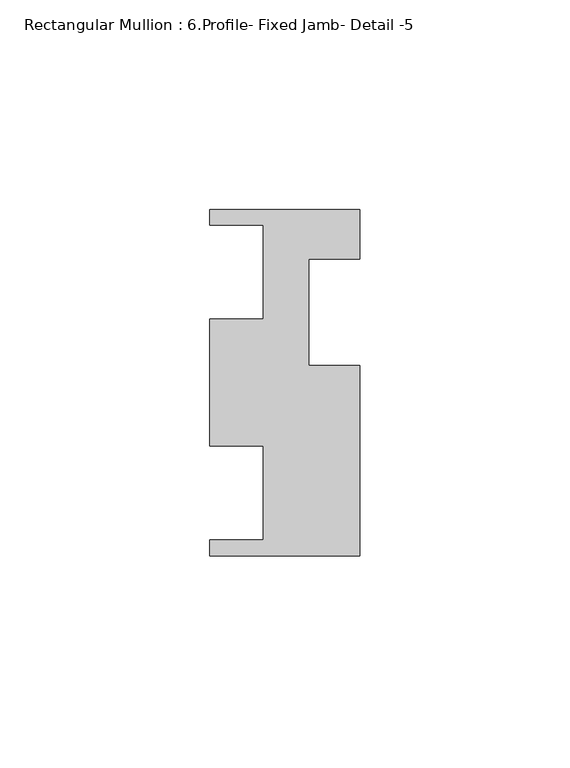
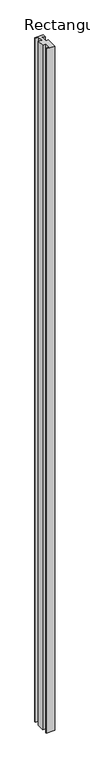
"""IFC4 building model written with IfcOpenShell, lengths in millimetres: member geometry, Rectangular Mullion : 6.Profile- Fixed Jamb- Detail -5."""

import ifcopenshell
import ifcopenshell.guid

model = None  # the IFC model being written
_history = None  # IfcOwnerHistory: only IFC2X3 demands one
_inside = {}  # id of a spatial element -> (the spatial element, [elements in it])
_under = {}  # id of a project, library or spatial element -> (it, [spatial elements below it])
_declared = {}  # id of a project -> (the project, [libraries it declares])
_typed = {}  # id of a type object -> (the type object, [elements of that type])
_made_of = {}  # id of a material, layer set ... -> (it, [elements and type objects made of it])


def new_model(schema):
    """Start an empty IFC model of exactly this schema.

    Asked for "IFC4X3", IfcOpenShell would pick the latest addendum, in which some entities
    have other attributes; the version numbers below select the first issue.
    IFC2X3 requires an IfcOwnerHistory on every rooted entity: one is made here for all.
    """
    global model, _history
    if schema == "IFC4X3":
        model = ifcopenshell.file(schema_version=(4, 3, 0, 0))
    else:
        model = ifcopenshell.file(schema=schema)
    _inside.clear()
    _under.clear()
    _declared.clear()
    _typed.clear()
    _made_of.clear()
    _history = None
    if model.schema == "IFC2X3":
        org = make("IfcOrganization", Name="unknown")
        user = make(
            "IfcPersonAndOrganization",
            ThePerson=make("IfcPerson", FamilyName="unknown"),
            TheOrganization=org,
        )
        app = make(
            "IfcApplication",
            ApplicationDeveloper=org,
            Version="unknown",
            ApplicationFullName="unknown",
            ApplicationIdentifier="unknown",
        )
        _history = make(
            "IfcOwnerHistory",
            OwningUser=user,
            OwningApplication=app,
            ChangeAction="ADDED",
            CreationDate=0,
        )
    return model


def make(cls, **values):
    """One entity of the class cls with the attributes given. An attribute that is None is left unset."""
    return model.create_entity(
        cls, **{name: value for name, value in values.items() if value is not None}
    )


def rooted(cls, **values):
    """An entity with a GlobalId (a new one), such as an element, a storey or a relation."""
    return make(cls, GlobalId=ifcopenshell.guid.new(), OwnerHistory=_history, **values)


def si_unit(unit_type, name, prefix=None):
    """IfcSIUnit, for example si_unit("LENGTHUNIT", "METRE", prefix="MILLI")."""
    return make("IfcSIUnit", UnitType=unit_type, Prefix=prefix, Name=name)


def assignment(units):
    """IfcUnitAssignment: the units of a project."""
    return None if units is None else make("IfcUnitAssignment", Units=units)


def point(xyz):
    """IfcCartesianPoint."""
    return None if xyz is None else make("IfcCartesianPoint", Coordinates=xyz)


def direction(xyz):
    """IfcDirection."""
    return None if xyz is None else make("IfcDirection", DirectionRatios=xyz)


def frame(location, z_axis=None, x_axis=None):
    """IfcAxis2Placement3D, a coordinate frame: its origin and axes. An axis left out is left unset."""
    return make(
        "IfcAxis2Placement3D",
        Location=point(location),
        Axis=direction(z_axis),
        RefDirection=direction(x_axis),
    )


def origin():
    """The frame at (0, 0, 0) with its axes left unset."""
    return frame((0.0, 0.0, 0.0))


def place(relative_to, where):
    """IfcLocalPlacement: puts the frame where relative to a parent placement (None: the world)."""
    return make(
        "IfcLocalPlacement", PlacementRelTo=relative_to, RelativePlacement=where
    )


def context(
    kind, dimensions, precision=None, world=None, true_north=None, identifier=None
):
    """IfcGeometricRepresentationContext, for example the 3D "Model" context."""
    return make(
        "IfcGeometricRepresentationContext",
        ContextIdentifier=identifier,
        ContextType=kind,
        CoordinateSpaceDimension=dimensions,
        Precision=precision,
        WorldCoordinateSystem=world,
        TrueNorth=true_north,
    )


def project(units=None, contexts=None):
    """IfcProject with its units and contexts."""
    return rooted(
        "IfcProject",
        Name="project",
        RepresentationContexts=contexts,
        UnitsInContext=assignment(units),
    )


def spatial(cls, under=None, at=None, **own):
    """A site, building, storey or space (cls), placed at a placement, below another one or the project."""
    s = rooted(cls, ObjectPlacement=at, **own)
    if under is not None:
        _under.setdefault(under.id(), (under, []))[1].append(s)
    return s


def polyline(points):
    """IfcPolyline through the points."""
    return make("IfcPolyline", Points=[point(p) for p in points])


def outline(outer, holes=None, kind="AREA"):
    """IfcArbitraryClosedProfileDef: a profile drawn as a closed curve; with holes, ...WithVoids."""
    if holes is None:
        return make("IfcArbitraryClosedProfileDef", ProfileType=kind, OuterCurve=outer)
    return make(
        "IfcArbitraryProfileDefWithVoids",
        ProfileType=kind,
        OuterCurve=outer,
        InnerCurves=holes,
    )


def extrude(swept, where, along, depth):
    """IfcExtrudedAreaSolid: the profile swept, set in the frame where, extruded along a direction by depth."""
    return make(
        "IfcExtrudedAreaSolid",
        SweptArea=swept,
        Position=where,
        ExtrudedDirection=direction(along),
        Depth=depth,
    )


def shape(context_of_items, identifier, shape_type, items):
    """IfcShapeRepresentation: the items that make up one representation, for example the "Body"."""
    return make(
        "IfcShapeRepresentation",
        ContextOfItems=context_of_items,
        RepresentationIdentifier=identifier,
        RepresentationType=shape_type,
        Items=items,
    )


def source(mapping_origin, context_of_items, identifier, shape_type, items):
    """IfcRepresentationMap: a shape defined once, which mapped items show again and again."""
    return make(
        "IfcRepresentationMap",
        MappingOrigin=mapping_origin,
        MappedRepresentation=shape(context_of_items, identifier, shape_type, items),
    )


def transform(
    local_origin,
    x_axis=None,
    y_axis=None,
    z_axis=None,
    scale=None,
    scale2=None,
    scale3=None,
    uniform=True,
):
    """IfcCartesianTransformationOperator3D, or its non-uniform kind. x_axis, y_axis, z_axis: its Axis1, 2, 3."""
    if uniform:
        return make(
            "IfcCartesianTransformationOperator3D",
            Axis1=direction(x_axis),
            Axis2=direction(y_axis),
            LocalOrigin=point(local_origin),
            Scale=scale,
            Axis3=direction(z_axis),
        )
    return make(
        "IfcCartesianTransformationOperator3DnonUniform",
        Axis1=direction(x_axis),
        Axis2=direction(y_axis),
        LocalOrigin=point(local_origin),
        Scale=scale,
        Axis3=direction(z_axis),
        Scale2=scale2,
        Scale3=scale3,
    )


def mapped(mapping_source, mapping_target):
    """IfcMappedItem: shows the shape of a source again, moved by a transform."""
    return make(
        "IfcMappedItem", MappingSource=mapping_source, MappingTarget=mapping_target
    )


def made_of(thing, what):
    """Note that an element or type object is made of a material, layer set ...; save() writes the relation."""
    if what is not None:
        _made_of.setdefault(what.id(), (what, []))[1].append(thing)
    return thing


def element(
    cls,
    number,
    at=None,
    inside=None,
    cuts=None,
    type_object=None,
    material=None,
    context=None,
    identifier="Body",
    shape_type=None,
    held_by="IfcProductDefinitionShape",
    body=None,
    shapes=None,
    **own,
):
    """One element of the class cls, such as IfcWall. Its Tag is "e" and its number.

    at: its placement. inside: the storey or other place that contains it. cuts: it is an
    opening in that element (IfcRelVoidsElement). A single representation is given by context,
    identifier, shape_type and body (its items); several are given by shapes. held_by: the class
    of the entity that holds the representations. save() writes the other relations.
    """
    e = rooted(cls, Tag="e%d" % number, ObjectPlacement=at, **own)
    if body is not None:
        shapes = [shape(context, identifier, shape_type, body)]
    if shapes is not None:
        e.Representation = make(held_by, Representations=shapes)
    if inside is not None:
        _inside.setdefault(inside.id(), (inside, []))[1].append(e)
    if cuts is not None:
        rooted(
            "IfcRelVoidsElement", RelatingBuildingElement=cuts, RelatedOpeningElement=e
        )
    if type_object is not None:
        _typed.setdefault(type_object.id(), (type_object, []))[1].append(e)
    return made_of(e, material)


def aggregate(whole, parts):
    """IfcRelAggregates: a whole, such as a stair, and the parts it consists of."""
    return rooted("IfcRelAggregates", RelatingObject=whole, RelatedObjects=parts)


def save(model, path):
    """Write the relations noted so far, then the file.

    IfcRelAggregates (storeys below a building ...), IfcRelContainedInSpatialStructure (elements
    in a storey), IfcRelDefinesByType, IfcRelAssociatesMaterial and IfcRelDeclares: one each for
    every whole, place, type object, material and project.
    """
    for whole, parts in _under.values():
        aggregate(whole, parts)
    for where, things in _inside.values():
        rooted(
            "IfcRelContainedInSpatialStructure",
            RelatedElements=things,
            RelatingStructure=where,
        )
    for kind, things in _typed.values():
        rooted("IfcRelDefinesByType", RelatedObjects=things, RelatingType=kind)
    for what, things in _made_of.values():
        rooted("IfcRelAssociatesMaterial", RelatedObjects=things, RelatingMaterial=what)
    for by, libraries in _declared.values():
        rooted("IfcRelDeclares", RelatingContext=by, RelatedDefinitions=libraries)
    model.write(path)


def rectangular_mullion_6_profile_fixed_jamb_detail_5_470b2cea(model_context):
    return source(origin(), model_context, "Body", "SweptSolid", [
        extrude(outline(polyline([(-35.7632, 43.5864021), (0.0, 43.5864021), (0.0, 31.7500021), (-12.2174, 31.7500021), (-12.2174, 6.3500021), (0.0, 6.3500021), (0.0, -38.9635979), (-35.7632, -38.9635979), (-35.7632, -35.2297979), (-23.0632, -35.2297979), (-23.0632, -12.8523979), (-35.7632, -12.8523979), (-35.7632, 17.4752021), (-23.0632, 17.4752021), (-23.0632, 39.8526021), (-35.7632, 39.8526021), (-35.7632, 43.5864021)])), frame((0.0, 0.0, -3048.0), z_axis=(0.0, 0.0, 1.0), x_axis=(1.0, 0.0, 0.0)), (0.0, 0.0, 1.0), 3048.0),
    ])


if __name__ == "__main__":
    model = new_model("IFC4")
    model_context = context("Model", 3, world=origin())
    ifc_project = project(units=[si_unit("LENGTHUNIT", "METRE", prefix="MILLI")], contexts=[model_context])
    site = spatial("IfcSite", under=ifc_project)
    building = spatial("IfcBuilding", under=site)
    placement = place(None, origin())
    rectangular_mullion_6_profile_fixed_jamb_detail_5_shape = rectangular_mullion_6_profile_fixed_jamb_detail_5_470b2cea(model_context)
    element("IfcMember", 1, ObjectType="Rectangular Mullion : 6.Profile- Fixed Jamb- Detail -5", at=placement, inside=building, context=model_context, shape_type="MappedRepresentation", body=[
        mapped(rectangular_mullion_6_profile_fixed_jamb_detail_5_shape, transform((0.0, 0.0, 0.0), x_axis=(1.0, 0.0, 0.0), y_axis=(0.0, 1.0, 0.0), z_axis=(0.0, 0.0, 1.0))),
    ])
    save(model, "model.ifc")
